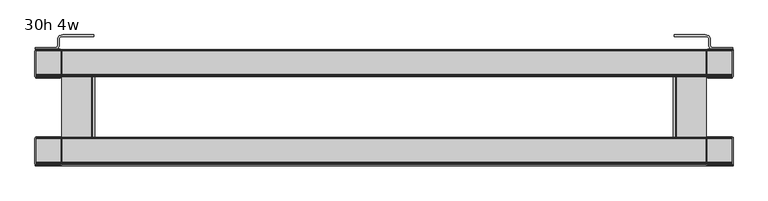
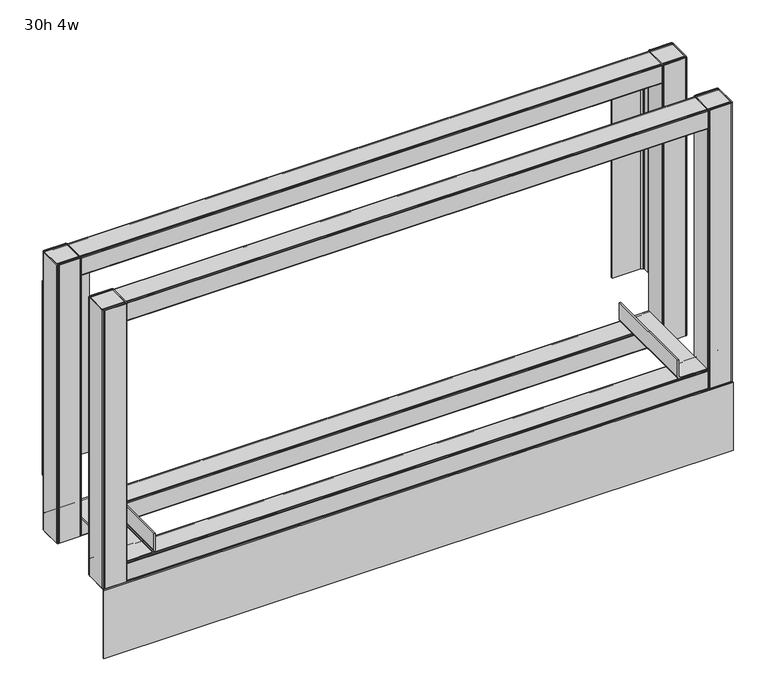
"""IFC4 building model written with IfcOpenShell, lengths in millimetres: furniture geometry, 30h 4w."""

import ifcopenshell
import ifcopenshell.guid

model = None  # the IFC model being written
_history = None  # IfcOwnerHistory: only IFC2X3 demands one
_inside = {}  # id of a spatial element -> (the spatial element, [elements in it])
_under = {}  # id of a project, library or spatial element -> (it, [spatial elements below it])
_declared = {}  # id of a project -> (the project, [libraries it declares])
_typed = {}  # id of a type object -> (the type object, [elements of that type])
_made_of = {}  # id of a material, layer set ... -> (it, [elements and type objects made of it])


def new_model(schema):
    """Start an empty IFC model of exactly this schema.

    Asked for "IFC4X3", IfcOpenShell would pick the latest addendum, in which some entities
    have other attributes; the version numbers below select the first issue.
    IFC2X3 requires an IfcOwnerHistory on every rooted entity: one is made here for all.
    """
    global model, _history
    if schema == "IFC4X3":
        model = ifcopenshell.file(schema_version=(4, 3, 0, 0))
    else:
        model = ifcopenshell.file(schema=schema)
    _inside.clear()
    _under.clear()
    _declared.clear()
    _typed.clear()
    _made_of.clear()
    _history = None
    if model.schema == "IFC2X3":
        org = make("IfcOrganization", Name="unknown")
        user = make(
            "IfcPersonAndOrganization",
            ThePerson=make("IfcPerson", FamilyName="unknown"),
            TheOrganization=org,
        )
        app = make(
            "IfcApplication",
            ApplicationDeveloper=org,
            Version="unknown",
            ApplicationFullName="unknown",
            ApplicationIdentifier="unknown",
        )
        _history = make(
            "IfcOwnerHistory",
            OwningUser=user,
            OwningApplication=app,
            ChangeAction="ADDED",
            CreationDate=0,
        )
    return model


def make(cls, **values):
    """One entity of the class cls with the attributes given. An attribute that is None is left unset."""
    return model.create_entity(
        cls, **{name: value for name, value in values.items() if value is not None}
    )


def rooted(cls, **values):
    """An entity with a GlobalId (a new one), such as an element, a storey or a relation."""
    return make(cls, GlobalId=ifcopenshell.guid.new(), OwnerHistory=_history, **values)


def si_unit(unit_type, name, prefix=None):
    """IfcSIUnit, for example si_unit("LENGTHUNIT", "METRE", prefix="MILLI")."""
    return make("IfcSIUnit", UnitType=unit_type, Prefix=prefix, Name=name)


def assignment(units):
    """IfcUnitAssignment: the units of a project."""
    return None if units is None else make("IfcUnitAssignment", Units=units)


def point(xyz):
    """IfcCartesianPoint."""
    return None if xyz is None else make("IfcCartesianPoint", Coordinates=xyz)


def direction(xyz):
    """IfcDirection."""
    return None if xyz is None else make("IfcDirection", DirectionRatios=xyz)


def frame(location, z_axis=None, x_axis=None):
    """IfcAxis2Placement3D, a coordinate frame: its origin and axes. An axis left out is left unset."""
    return make(
        "IfcAxis2Placement3D",
        Location=point(location),
        Axis=direction(z_axis),
        RefDirection=direction(x_axis),
    )


def frame_2d(location, x_axis=None):
    """IfcAxis2Placement2D, a coordinate frame in the plane: its origin and x axis."""
    return make(
        "IfcAxis2Placement2D", Location=point(location), RefDirection=direction(x_axis)
    )


def origin():
    """The frame at (0, 0, 0) with its axes left unset."""
    return frame((0.0, 0.0, 0.0))


def origin_with_axes():
    """The frame at (0, 0, 0) with the z axis (0, 0, 1) and the x axis (1, 0, 0) written out."""
    return frame((0.0, 0.0, 0.0), z_axis=(0.0, 0.0, 1.0), x_axis=(1.0, 0.0, 0.0))


def place(relative_to, where):
    """IfcLocalPlacement: puts the frame where relative to a parent placement (None: the world)."""
    return make(
        "IfcLocalPlacement", PlacementRelTo=relative_to, RelativePlacement=where
    )


def context(
    kind, dimensions, precision=None, world=None, true_north=None, identifier=None
):
    """IfcGeometricRepresentationContext, for example the 3D "Model" context."""
    return make(
        "IfcGeometricRepresentationContext",
        ContextIdentifier=identifier,
        ContextType=kind,
        CoordinateSpaceDimension=dimensions,
        Precision=precision,
        WorldCoordinateSystem=world,
        TrueNorth=true_north,
    )


def project(units=None, contexts=None):
    """IfcProject with its units and contexts."""
    return rooted(
        "IfcProject",
        Name="project",
        RepresentationContexts=contexts,
        UnitsInContext=assignment(units),
    )


def spatial(cls, under=None, at=None, **own):
    """A site, building, storey or space (cls), placed at a placement, below another one or the project."""
    s = rooted(cls, ObjectPlacement=at, **own)
    if under is not None:
        _under.setdefault(under.id(), (under, []))[1].append(s)
    return s


def polyline(points):
    """IfcPolyline through the points."""
    return make("IfcPolyline", Points=[point(p) for p in points])


def circle_curve(where, radius):
    """IfcCircle in the frame where."""
    return make("IfcCircle", Position=where, Radius=radius)


def trimmed(basis, trim1, trim2, sense, master):
    """IfcTrimmedCurve: the piece of a basis curve between two trims."""
    return make(
        "IfcTrimmedCurve",
        BasisCurve=basis,
        Trim1=trim1,
        Trim2=trim2,
        SenseAgreement=sense,
        MasterRepresentation=master,
    )


def segment(curve, same_sense, transition):
    """IfcCompositeCurveSegment."""
    return make(
        "IfcCompositeCurveSegment",
        Transition=transition,
        SameSense=same_sense,
        ParentCurve=curve,
    )


def composite_curve(segments, self_intersect=None):
    """IfcCompositeCurve: segments joined end to end."""
    return make("IfcCompositeCurve", Segments=segments, SelfIntersect=self_intersect)


def outline(outer, holes=None, kind="AREA"):
    """IfcArbitraryClosedProfileDef: a profile drawn as a closed curve; with holes, ...WithVoids."""
    if holes is None:
        return make("IfcArbitraryClosedProfileDef", ProfileType=kind, OuterCurve=outer)
    return make(
        "IfcArbitraryProfileDefWithVoids",
        ProfileType=kind,
        OuterCurve=outer,
        InnerCurves=holes,
    )


def extrude(swept, where, along, depth):
    """IfcExtrudedAreaSolid: the profile swept, set in the frame where, extruded along a direction by depth."""
    return make(
        "IfcExtrudedAreaSolid",
        SweptArea=swept,
        Position=where,
        ExtrudedDirection=direction(along),
        Depth=depth,
    )


def shape(context_of_items, identifier, shape_type, items):
    """IfcShapeRepresentation: the items that make up one representation, for example the "Body"."""
    return make(
        "IfcShapeRepresentation",
        ContextOfItems=context_of_items,
        RepresentationIdentifier=identifier,
        RepresentationType=shape_type,
        Items=items,
    )


def source(mapping_origin, context_of_items, identifier, shape_type, items):
    """IfcRepresentationMap: a shape defined once, which mapped items show again and again."""
    return make(
        "IfcRepresentationMap",
        MappingOrigin=mapping_origin,
        MappedRepresentation=shape(context_of_items, identifier, shape_type, items),
    )


def transform(
    local_origin,
    x_axis=None,
    y_axis=None,
    z_axis=None,
    scale=None,
    scale2=None,
    scale3=None,
    uniform=True,
):
    """IfcCartesianTransformationOperator3D, or its non-uniform kind. x_axis, y_axis, z_axis: its Axis1, 2, 3."""
    if uniform:
        return make(
            "IfcCartesianTransformationOperator3D",
            Axis1=direction(x_axis),
            Axis2=direction(y_axis),
            LocalOrigin=point(local_origin),
            Scale=scale,
            Axis3=direction(z_axis),
        )
    return make(
        "IfcCartesianTransformationOperator3DnonUniform",
        Axis1=direction(x_axis),
        Axis2=direction(y_axis),
        LocalOrigin=point(local_origin),
        Scale=scale,
        Axis3=direction(z_axis),
        Scale2=scale2,
        Scale3=scale3,
    )


def mapped(mapping_source, mapping_target):
    """IfcMappedItem: shows the shape of a source again, moved by a transform."""
    return make(
        "IfcMappedItem", MappingSource=mapping_source, MappingTarget=mapping_target
    )


def made_of(thing, what):
    """Note that an element or type object is made of a material, layer set ...; save() writes the relation."""
    if what is not None:
        _made_of.setdefault(what.id(), (what, []))[1].append(thing)
    return thing


def element(
    cls,
    number,
    at=None,
    inside=None,
    cuts=None,
    type_object=None,
    material=None,
    context=None,
    identifier="Body",
    shape_type=None,
    held_by="IfcProductDefinitionShape",
    body=None,
    shapes=None,
    **own,
):
    """One element of the class cls, such as IfcWall. Its Tag is "e" and its number.

    at: its placement. inside: the storey or other place that contains it. cuts: it is an
    opening in that element (IfcRelVoidsElement). A single representation is given by context,
    identifier, shape_type and body (its items); several are given by shapes. held_by: the class
    of the entity that holds the representations. save() writes the other relations.
    """
    e = rooted(cls, Tag="e%d" % number, ObjectPlacement=at, **own)
    if body is not None:
        shapes = [shape(context, identifier, shape_type, body)]
    if shapes is not None:
        e.Representation = make(held_by, Representations=shapes)
    if inside is not None:
        _inside.setdefault(inside.id(), (inside, []))[1].append(e)
    if cuts is not None:
        rooted(
            "IfcRelVoidsElement", RelatingBuildingElement=cuts, RelatedOpeningElement=e
        )
    if type_object is not None:
        _typed.setdefault(type_object.id(), (type_object, []))[1].append(e)
    return made_of(e, material)


def aggregate(whole, parts):
    """IfcRelAggregates: a whole, such as a stair, and the parts it consists of."""
    return rooted("IfcRelAggregates", RelatingObject=whole, RelatedObjects=parts)


def save(model, path):
    """Write the relations noted so far, then the file.

    IfcRelAggregates (storeys below a building ...), IfcRelContainedInSpatialStructure (elements
    in a storey), IfcRelDefinesByType, IfcRelAssociatesMaterial and IfcRelDeclares: one each for
    every whole, place, type object, material and project.
    """
    for whole, parts in _under.values():
        aggregate(whole, parts)
    for where, things in _inside.values():
        rooted(
            "IfcRelContainedInSpatialStructure",
            RelatedElements=things,
            RelatingStructure=where,
        )
    for kind, things in _typed.values():
        rooted("IfcRelDefinesByType", RelatedObjects=things, RelatingType=kind)
    for what, things in _made_of.values():
        rooted("IfcRelAssociatesMaterial", RelatedObjects=things, RelatingMaterial=what)
    for by, libraries in _declared.values():
        rooted("IfcRelDeclares", RelatingContext=by, RelatedDefinitions=libraries)
    model.write(path)


def furniture_30h_4w_d73720d0(model_context):
    return source(origin(), model_context, "Body", "SweptSolid", [
        extrude(outline(polyline([(35.3068785, -22.0564341), (38.030962, -21.3265174), (39.14289, -20.2145909), (39.5498827, -18.695671), (39.5498827, -6.8694307), (40.3638683, -3.8315915), (42.5877242, -1.6077378), (48.5878696, 0.0), (103.0498812, 0.0), (103.0498812, -3.078529), (48.4360257, -3.078529), (44.1066449, -4.2385842), (42.994717, -5.3505099), (42.5877242, -6.8694307), (42.5877242, -18.695671), (41.7737341, -21.7335108), (39.5498827, -23.9573641), (35.457779, -25.0538403), (1.027723, -25.0538403), (1.027723, -22.0564341), (35.3068785, -22.0564341)])), frame((0.0, 0.0, 251.0568051), z_axis=(0.0, 0.0, 1.0), x_axis=(1.0, 0.0, 0.0)), (0.0, 0.0, 1.0), 397.1052306),
        extrude(outline(polyline([(1183.8931215, -22.0564341), (1218.172277, -22.0564341), (1218.172277, -25.0538403), (1183.742221, -25.0538403), (1179.6501173, -23.9573641), (1177.4262659, -21.7335108), (1176.6122758, -18.695671), (1176.6122758, -6.8694307), (1176.205283, -5.3505099), (1175.0933551, -4.2385842), (1170.7639743, -3.078529), (1116.1501188, -3.078529), (1116.1501188, 0.0), (1170.6121304, 0.0), (1176.6122758, -1.6077378), (1178.8361317, -3.8315915), (1179.6501173, -6.8694307), (1179.6501173, -18.695671), (1180.05711, -20.2145909), (1181.169038, -21.3265174), (1183.8931215, -22.0564341)])), frame((0.0, 0.0, 251.0568051), z_axis=(0.0, 0.0, 1.0), x_axis=(1.0, 0.0, 0.0)), (0.0, 0.0, 1.0), 397.1052306),
        extrude(outline(polyline([(217.1649967, 1114.7758798), (183.3880068, 1114.7758798), (180.2764961, 1115.6096043), (177.9987282, 1117.8873722), (177.1650036, 1120.9988647), (177.1650036, 1172.1782739), (180.2130007, 1172.1782739), (180.2130007, 1120.9988647), (180.6383745, 1119.4113708), (181.8004947, 1118.2492506), (183.3880068, 1117.8238768), (217.1649967, 1117.8238768), (217.1649967, 1114.7758798)])), frame((0.0, -223.0555224, 0.0), z_axis=(0.0, 1.0, 0.0), x_axis=(0.0, 0.0, 1.0)), (0.0, 0.0, 1.0), 194.5544148),
        extrude(outline(polyline([(217.1649967, 104.4241202), (217.1649967, 101.3761232), (183.3880068, 101.3761232), (181.8004947, 100.9507494), (180.6383745, 99.7886292), (180.2130007, 98.2011353), (180.2130007, 47.0315183), (177.1650036, 47.0315183), (177.1650036, 98.2011353), (177.9987282, 101.3126278), (180.2764961, 103.5903957), (183.3880068, 104.4241202), (217.1649967, 104.4241202)])), frame((0.0, -223.0555224, 0.0), z_axis=(0.0, 1.0, 0.0), x_axis=(0.0, 0.0, 1.0)), (0.0, 0.0, 1.0), 194.5537952),
        extrude(outline(polyline([(1219.2, -229.202005), (0.762, -229.202005), (0.762, -227.1700069), (1219.2, -227.1700069), (1219.2, -229.202005)])), origin_with_axes(), (0.0, 0.0, 1.0), 139.700003),
        extrude(outline(polyline([(1219.2, -72.6720019), (1218.7727983, -74.2663388), (1217.6106677, -75.4284727), (1216.0231678, -75.8538427), (1174.8114287, -75.8538427), (1173.3629536, -75.160403), (1172.3936768, -73.8532744), (1172.1684817, -72.6788412), (1172.1684817, -27.3581035), (1173.3629536, -25.7472801), (1174.811424, -25.0538403), (1176.9408108, -25.0538403), (1216.0231679, -25.0538403), (1217.6106677, -25.4792096), (1218.7727983, -26.6413403), (1219.2, -28.2356786), (1219.2, -72.6720019)]), holes=[composite_curve([segment(polyline([(1217.2931676, -72.730636), (1217.2931676, -28.1651167)]), True, "CONTINUOUS"), segment(trimmed(circle_curve(frame_2d((1216.0868912, -28.1651167)), 1.2062764), [point((1217.2931676, -28.1651167))], [point((1216.0868912, -26.9588403))], True, "CARTESIAN"), True, "CONTINUOUS"), segment(polyline([(1216.0868912, -26.9588403), (1175.3283089, -26.9588403)]), True, "CONTINUOUS"), segment(trimmed(circle_curve(frame_2d((1175.3283089, -28.2136693)), 1.254829), [point((1175.3283089, -26.9588403))], [point((1174.0734799, -28.2136693))], True, "CARTESIAN"), True, "CONTINUOUS"), segment(polyline([(1174.0734799, -28.2136693), (1174.0734799, -72.8953775)]), True, "CONTINUOUS"), segment(trimmed(circle_curve(frame_2d((1175.1269416, -72.8953775)), 1.0534616), [point((1174.0734799, -72.8953775))], [point((1175.1269416, -73.9488391))], True, "CARTESIAN"), True, "CONTINUOUS"), segment(polyline([(1175.1269416, -73.9488391), (1216.0749644, -73.9488391)]), True, "CONTINUOUS"), segment(trimmed(circle_curve(frame_2d((1216.0749644, -72.730636)), 1.2182032), [point((1216.0749644, -73.9488391))], [point((1217.2931676, -72.730636))], True, "CARTESIAN"), True, "CONTINUOUS")], self_intersect=False)]), frame((0.0, 0.0, 142.2400006), z_axis=(0.0, 0.0, 1.0), x_axis=(1.0, 0.0, 0.0)), (0.0, 0.0, 1.0), 568.9599752),
        extrude(outline(polyline([(1219.2, -226.020165), (1218.7727983, -227.6145019), (1217.6106677, -228.7766357), (1216.0231678, -229.202005), (1174.8114287, -229.202005), (1173.3629536, -228.5085653), (1172.3936768, -227.2014367), (1172.1684817, -226.0270034), (1172.1684817, -180.7062658), (1173.3629536, -179.0954424), (1174.8114242, -178.4020034), (1176.9408108, -178.4020034), (1216.0231679, -178.4020034), (1217.6106677, -178.8273727), (1218.7727983, -179.9895033), (1219.2, -181.5838417), (1219.2, -226.020165)]), holes=[composite_curve([segment(polyline([(1217.2931676, -226.078799), (1217.2931676, -181.5132797)]), True, "CONTINUOUS"), segment(trimmed(circle_curve(frame_2d((1216.0868912, -181.5132797)), 1.2062764), [point((1217.2931676, -181.5132797))], [point((1216.0868912, -180.3070033))], True, "CARTESIAN"), True, "CONTINUOUS"), segment(polyline([(1216.0868912, -180.3070033), (1175.3283089, -180.3070026)]), True, "CONTINUOUS"), segment(trimmed(circle_curve(frame_2d((1175.3283089, -181.5618316)), 1.2548289), [point((1175.3283089, -180.3070026))], [point((1174.07348, -181.5618316))], True, "CARTESIAN"), True, "CONTINUOUS"), segment(polyline([(1174.07348, -181.5618316), (1174.07348, -226.2435406)]), True, "CONTINUOUS"), segment(trimmed(circle_curve(frame_2d((1175.1269416, -226.2435406)), 1.0534615), [point((1174.07348, -226.2435406))], [point((1175.1269416, -227.2970021))], True, "CARTESIAN"), True, "CONTINUOUS"), segment(polyline([(1175.1269416, -227.2970021), (1216.0749644, -227.2970021)]), True, "CONTINUOUS"), segment(trimmed(circle_curve(frame_2d((1216.0749644, -226.078799)), 1.2182032), [point((1216.0749644, -227.2970021))], [point((1217.2931676, -226.078799))], True, "CARTESIAN"), True, "CONTINUOUS")], self_intersect=False)]), frame((0.0, 0.0, 142.2400006), z_axis=(0.0, 0.0, 1.0), x_axis=(1.0, 0.0, 0.0)), (0.0, 0.0, 1.0), 569.0435446),
        extrude(outline(polyline([(0.0, -72.6720025), (0.0, -28.2356792), (0.4272017, -26.6413409), (1.5893323, -25.4792102), (3.1768321, -25.0538409), (42.2591892, -25.0538401), (44.3885759, -25.0538401), (45.8370464, -25.7472799), (47.0315183, -27.3581033), (47.0315183, -72.678841), (46.8063232, -73.8532742), (45.8370464, -75.1604028), (44.3885713, -75.8538425), (3.1768322, -75.8538425), (1.5893323, -75.4284733), (0.4272017, -74.2663394), (0.0, -72.6720025)]), holes=[composite_curve([segment(trimmed(circle_curve(frame_2d((3.1250356, -72.7306366)), 1.2182032), [point((1.9068324, -72.7306366))], [point((3.1250356, -73.9488397))], True, "CARTESIAN"), True, "CONTINUOUS"), segment(polyline([(3.1250356, -73.9488397), (44.0730584, -73.9488397)]), True, "CONTINUOUS"), segment(trimmed(circle_curve(frame_2d((44.0730584, -72.8953781)), 1.0534617), [point((44.0730584, -73.9488397))], [point((45.1265201, -72.8953781))], True, "CARTESIAN"), True, "CONTINUOUS"), segment(polyline([(45.1265201, -72.8953781), (45.1265201, -28.2136691)]), True, "CONTINUOUS"), segment(trimmed(circle_curve(frame_2d((43.8716912, -28.2136691)), 1.2548289), [point((45.1265201, -28.2136691))], [point((43.8716911, -26.9588402))], True, "CARTESIAN"), True, "CONTINUOUS"), segment(polyline([(43.8716911, -26.9588402), (3.1131087, -26.9588408)]), True, "CONTINUOUS"), segment(trimmed(circle_curve(frame_2d((3.1131088, -28.1651172)), 1.2062764), [point((3.1131087, -26.9588408))], [point((1.9068324, -28.1651172))], True, "CARTESIAN"), True, "CONTINUOUS"), segment(polyline([(1.9068324, -28.1651172), (1.9068324, -72.7306366)]), True, "CONTINUOUS")], self_intersect=False)]), frame((0.0, 0.0, 142.2400006), z_axis=(0.0, 0.0, 1.0), x_axis=(1.0, 0.0, 0.0)), (0.0, 0.0, 1.0), 568.9599752),
        extrude(outline(polyline([(0.0, -226.020165), (0.0, -181.5838417), (0.4272017, -179.9895033), (1.5893323, -178.8273727), (3.1768321, -178.4020034), (42.2591892, -178.4020026), (44.3885759, -178.4020026), (45.8370464, -179.0954424), (47.0315183, -180.7062658), (47.0315183, -226.0270034), (46.8063232, -227.2014367), (45.8370464, -228.5085653), (44.3885713, -229.202005), (3.1768322, -229.202005), (1.5893323, -228.7766357), (0.4272017, -227.6145019), (0.0, -226.020165)]), holes=[composite_curve([segment(trimmed(circle_curve(frame_2d((3.1250356, -226.078799)), 1.2182032), [point((1.9068324, -226.078799))], [point((3.1250356, -227.2970022))], True, "CARTESIAN"), True, "CONTINUOUS"), segment(polyline([(3.1250356, -227.2970022), (44.0730584, -227.2970022)]), True, "CONTINUOUS"), segment(trimmed(circle_curve(frame_2d((44.0730584, -226.2435405)), 1.0534617), [point((44.0730584, -227.2970022))], [point((45.1265201, -226.2435405))], True, "CARTESIAN"), True, "CONTINUOUS"), segment(polyline([(45.1265201, -226.2435405), (45.1265201, -181.5618316)]), True, "CONTINUOUS"), segment(trimmed(circle_curve(frame_2d((43.8716912, -181.5618316)), 1.2548289), [point((45.1265201, -181.5618316))], [point((43.8716911, -180.3070027))], True, "CARTESIAN"), True, "CONTINUOUS"), segment(polyline([(43.8716911, -180.3070027), (3.1131088, -180.3070033)]), True, "CONTINUOUS"), segment(trimmed(circle_curve(frame_2d((3.1131088, -181.5132797)), 1.2062764), [point((3.1131088, -180.3070033))], [point((1.9068324, -181.5132797))], True, "CARTESIAN"), True, "CONTINUOUS"), segment(polyline([(1.9068324, -181.5132797), (1.9068324, -226.078799)]), True, "CONTINUOUS")], self_intersect=False)]), frame((0.0, 0.0, 142.2400006), z_axis=(0.0, 0.0, 1.0), x_axis=(1.0, 0.0, 0.0)), (0.0, 0.0, 1.0), 569.0435446),
        extrude(outline(polyline([(-223.0347979, 139.2159088), (-224.8414605, 139.700003), (-226.0035943, 140.8621336), (-226.230526, 141.7090545), (-226.230526, 176.0315177), (-225.5370863, 177.4799928), (-224.2299577, 178.4492695), (-223.0555224, 178.6744651), (-181.8492701, 178.6744693), (-180.2384467, 177.4799928), (-179.5450075, 176.0315223), (-179.5450075, 173.9021356), (-179.5450075, 143.1902128), (-180.1688145, 140.8621336), (-181.3309451, 139.700003), (-183.1376095, 139.2159088), (-223.0347979, 139.2159088)]), holes=[composite_curve([segment(polyline([(-223.6805188, 140.8550736), (-182.557065, 140.8550736)]), True, "CONTINUOUS"), segment(trimmed(circle_curve(frame_2d((-182.557065, 142.06135)), 1.2062764), [point((-182.557065, 140.8550736))], [point((-181.3507886, 142.06135))], True, "CARTESIAN"), True, "CONTINUOUS"), segment(polyline([(-181.3507886, 142.06135), (-181.3507886, 175.4154189)]), True, "CONTINUOUS"), segment(trimmed(circle_curve(frame_2d((-182.6056175, 175.4154189)), 1.2548289), [point((-181.3507886, 175.4154189))], [point((-182.6056175, 176.6702478))], True, "CARTESIAN"), True, "CONTINUOUS"), segment(polyline([(-182.6056175, 176.6702478), (-223.6173616, 176.6702478)]), True, "CONTINUOUS"), segment(trimmed(circle_curve(frame_2d((-223.6173616, 175.813258)), 0.8569898), [point((-223.6173616, 176.6702478))], [point((-224.4743514, 175.813258))], True, "CARTESIAN"), True, "CONTINUOUS"), segment(polyline([(-224.4743514, 175.813258), (-224.4743514, 174.747971), (-224.4743514, 141.6489063)]), True, "CONTINUOUS"), segment(trimmed(circle_curve(frame_2d((-223.6805188, 141.6489063)), 0.7938326), [point((-224.4743514, 141.6489063))], [point((-223.6805188, 140.8550736))], True, "CARTESIAN"), True, "CONTINUOUS")], self_intersect=False)]), frame((1.9068324, 0.0, 0.0), z_axis=(1.0, 0.0, 0.0), x_axis=(0.0, 1.0, 0.0)), (0.0, 0.0, 1.0), 1217.2931676),
        extrude(outline(polyline([(-69.6866351, 139.2159088), (-71.4932977, 139.700003), (-72.6554315, 140.8621336), (-72.8823632, 141.7090545), (-72.8823632, 176.0315177), (-72.1889235, 177.4799928), (-70.8817949, 178.4492695), (-69.7073595, 178.6744651), (-28.5011076, 178.6744693), (-26.8902842, 177.4799928), (-26.1968444, 176.0315223), (-26.1968444, 173.9021356), (-26.1968444, 143.1902128), (-26.8206514, 140.8621336), (-27.982782, 139.700003), (-29.7894465, 139.2159088), (-69.6866351, 139.2159088)]), holes=[composite_curve([segment(polyline([(-70.332356, 140.8550736), (-29.2089019, 140.8550736)]), True, "CONTINUOUS"), segment(trimmed(circle_curve(frame_2d((-29.2089019, 142.06135)), 1.2062764), [point((-29.2089019, 140.8550736))], [point((-28.0026255, 142.06135))], True, "CARTESIAN"), True, "CONTINUOUS"), segment(polyline([(-28.0026255, 142.06135), (-28.0026255, 175.4154189)]), True, "CONTINUOUS"), segment(trimmed(circle_curve(frame_2d((-29.2574544, 175.4154189)), 1.2548289), [point((-28.0026255, 175.4154189))], [point((-29.2574544, 176.6702478))], True, "CARTESIAN"), True, "CONTINUOUS"), segment(polyline([(-29.2574544, 176.6702478), (-70.2691988, 176.6702478)]), True, "CONTINUOUS"), segment(trimmed(circle_curve(frame_2d((-70.2691988, 175.813258)), 0.8569898), [point((-70.2691988, 176.6702478))], [point((-71.1261886, 175.813258))], True, "CARTESIAN"), True, "CONTINUOUS"), segment(polyline([(-71.1261886, 175.813258), (-71.1261886, 174.747971), (-71.1261886, 141.6489063)]), True, "CONTINUOUS"), segment(trimmed(circle_curve(frame_2d((-70.332356, 141.6489063)), 0.7938326), [point((-71.1261886, 141.6489063))], [point((-70.332356, 140.8550736))], True, "CARTESIAN"), True, "CONTINUOUS")], self_intersect=False)]), frame((1.9068324, 0.0, 0.0), z_axis=(1.0, 0.0, 0.0), x_axis=(0.0, 1.0, 0.0)), (0.0, 0.0, 1.0), 1217.2931676),
        extrude(outline(polyline([(-223.0347979, 671.8249791), (-224.8414605, 672.3090734), (-226.0035943, 673.4712039), (-226.230526, 674.3181248), (-226.230526, 708.6405881), (-225.5370863, 710.0890631), (-224.2299577, 711.0583399), (-223.0532062, 711.2839796), (-181.849869, 711.2839796), (-180.2384467, 710.0890631), (-179.5450069, 708.6405927), (-179.5450069, 706.511206), (-179.5450069, 675.7992832), (-180.1688139, 673.4712039), (-181.3309445, 672.3090734), (-183.1376089, 671.8249791), (-223.0347979, 671.8249791)]), holes=[composite_curve([segment(polyline([(-223.6805188, 673.464144), (-182.5570644, 673.464144)]), True, "CONTINUOUS"), segment(trimmed(circle_curve(frame_2d((-182.5570644, 674.6704204)), 1.2062764), [point((-182.5570644, 673.464144))], [point((-181.350788, 674.6704204))], True, "CARTESIAN"), True, "CONTINUOUS"), segment(polyline([(-181.350788, 674.6704204), (-181.350788, 708.0244893)]), True, "CONTINUOUS"), segment(trimmed(circle_curve(frame_2d((-182.6056169, 708.0244893)), 1.2548289), [point((-181.350788, 708.0244893))], [point((-182.6056169, 709.2793182))], True, "CARTESIAN"), True, "CONTINUOUS"), segment(polyline([(-182.6056169, 709.2793182), (-223.6173616, 709.2793182)]), True, "CONTINUOUS"), segment(trimmed(circle_curve(frame_2d((-223.6173616, 708.4223284)), 0.8569898), [point((-223.6173616, 709.2793182))], [point((-224.4743514, 708.4223284))], True, "CARTESIAN"), True, "CONTINUOUS"), segment(polyline([(-224.4743514, 708.4223284), (-224.4743514, 707.3570413), (-224.4743514, 674.2579766)]), True, "CONTINUOUS"), segment(trimmed(circle_curve(frame_2d((-223.6805188, 674.2579766)), 0.7938326), [point((-224.4743514, 674.2579766))], [point((-223.6805188, 673.464144))], True, "CARTESIAN"), True, "CONTINUOUS")], self_intersect=False)]), frame((1.9068324, 0.0, 0.0), z_axis=(1.0, 0.0, 0.0), x_axis=(0.0, 1.0, 0.0)), (0.0, 0.0, 1.0), 1217.2931676),
        extrude(outline(polyline([(-69.6866351, 671.8249791), (-71.4932977, 672.3090734), (-72.6554315, 673.4712039), (-72.8823632, 674.3181248), (-72.8823632, 708.6405881), (-72.1889235, 710.0890631), (-70.8817949, 711.0583399), (-69.7049635, 711.2839949), (-28.5017272, 711.2839949), (-26.8902842, 710.0890631), (-26.1968444, 708.6405927), (-26.1968444, 706.511206), (-26.1968444, 675.7992832), (-26.8206514, 673.4712039), (-27.982782, 672.3090734), (-29.7894465, 671.8249791), (-69.6866351, 671.8249791)]), holes=[composite_curve([segment(polyline([(-70.332356, 673.464144), (-29.2089019, 673.464144)]), True, "CONTINUOUS"), segment(trimmed(circle_curve(frame_2d((-29.2089019, 674.6704204)), 1.2062764), [point((-29.2089019, 673.464144))], [point((-28.0026255, 674.6704204))], True, "CARTESIAN"), True, "CONTINUOUS"), segment(polyline([(-28.0026255, 674.6704204), (-28.0026255, 708.0244893)]), True, "CONTINUOUS"), segment(trimmed(circle_curve(frame_2d((-29.2574544, 708.0244893)), 1.2548289), [point((-28.0026255, 708.0244893))], [point((-29.2574544, 709.2793182))], True, "CARTESIAN"), True, "CONTINUOUS"), segment(polyline([(-29.2574544, 709.2793182), (-70.2691988, 709.2793182)]), True, "CONTINUOUS"), segment(trimmed(circle_curve(frame_2d((-70.2691988, 708.4223284)), 0.8569898), [point((-70.2691988, 709.2793182))], [point((-71.1261886, 708.4223284))], True, "CARTESIAN"), True, "CONTINUOUS"), segment(polyline([(-71.1261886, 708.4223284), (-71.1261886, 707.3570413), (-71.1261886, 674.2579766)]), True, "CONTINUOUS"), segment(trimmed(circle_curve(frame_2d((-70.332356, 674.2579766)), 0.7938326), [point((-71.1261886, 674.2579766))], [point((-70.332356, 673.464144))], True, "CARTESIAN"), True, "CONTINUOUS")], self_intersect=False)]), frame((1.9068324, 0.0, 0.0), z_axis=(1.0, 0.0, 0.0), x_axis=(0.0, 1.0, 0.0)), (0.0, 0.0, 1.0), 1217.2931676),
    ])


if __name__ == "__main__":
    model = new_model("IFC4")
    model_context = context("Model", 3, world=origin())
    ifc_project = project(units=[si_unit("LENGTHUNIT", "METRE", prefix="MILLI")], contexts=[model_context])
    site = spatial("IfcSite", under=ifc_project)
    building = spatial("IfcBuilding", under=site)
    placement = place(None, origin())
    furniture_30h_4w_shape = furniture_30h_4w_d73720d0(model_context)
    element("IfcFurniture", 1, ObjectType="30h 4w", at=placement, inside=building, context=model_context, shape_type="MappedRepresentation", body=[
        mapped(furniture_30h_4w_shape, transform((0.0, 0.0, 0.0), x_axis=(1.0, 0.0, 0.0), y_axis=(0.0, 1.0, 0.0), z_axis=(0.0, 0.0, 1.0))),
    ])
    save(model, "model.ifc")
